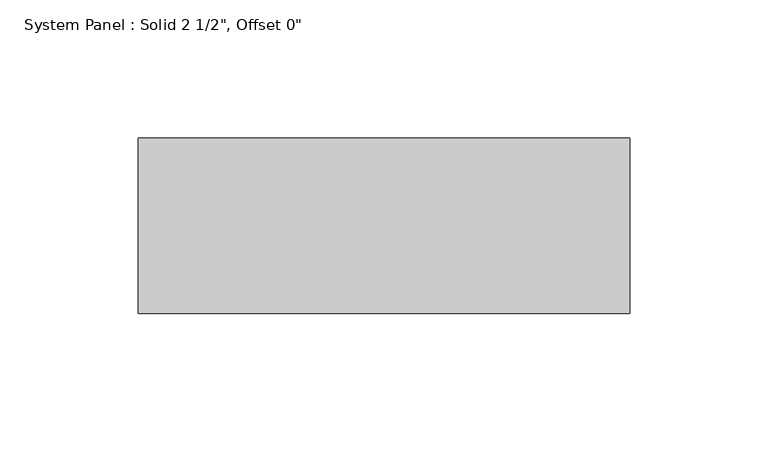
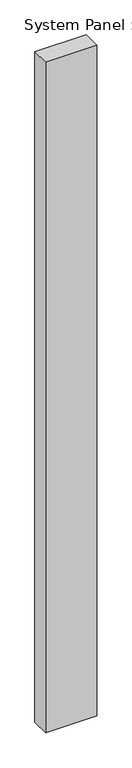
"""IFC4 building model written with IfcOpenShell, lengths in millimetres: plate geometry."""

from ifc_helpers import new_model, si_unit, origin, origin_with_axes, place, context, project, spatial, polyline, outline, extrude, source, transform, mapped, element, save


def plate_611f426b(model_context):
    return source(origin(), model_context, "Body", "SweptSolid", [
        extrude(outline(polyline([(88.9, -31.75), (-88.9, -31.75), (-88.9, 31.75), (88.9, 31.75), (88.9, -31.75)])), origin_with_axes(), (0.0, 0.0, 1.0), 2453.2166667),
    ])


if __name__ == "__main__":
    model = new_model("IFC4")
    model_context = context("Model", 3, world=origin())
    ifc_project = project(units=[si_unit("LENGTHUNIT", "METRE", prefix="MILLI")], contexts=[model_context])
    site = spatial("IfcSite", under=ifc_project)
    building = spatial("IfcBuilding", under=site)
    placement = place(None, origin())
    plate_shape = plate_611f426b(model_context)
    element("IfcPlate", 1, ObjectType="System Panel : Solid 2 1/2\", Offset 0\"", at=placement, inside=building, context=model_context, shape_type="MappedRepresentation", body=[
        mapped(plate_shape, transform((0.0, 0.0, 0.0), x_axis=(1.0, 0.0, 0.0), y_axis=(0.0, 1.0, 0.0), z_axis=(0.0, 0.0, 1.0))),
    ])
    save(model, "model.ifc")
